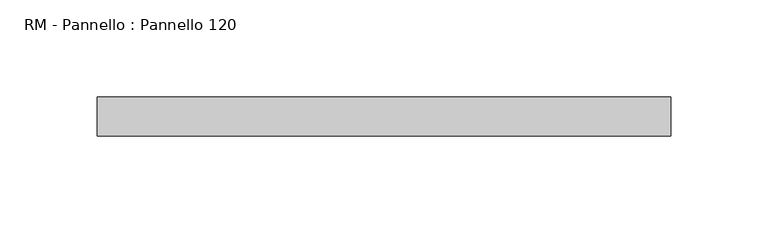
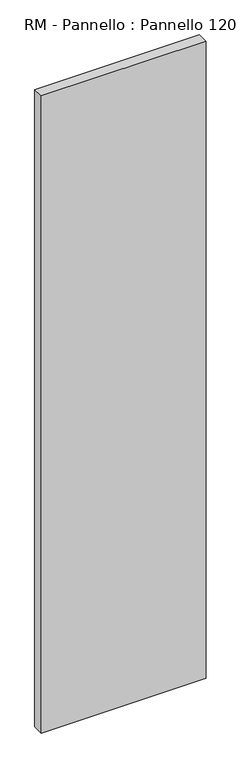
"""IFC4 building model written with IfcOpenShell, lengths in millimetres: plate geometry, RM - Pannello : Pannello 120."""

from ifc_helpers import new_model, si_unit, origin, origin_with_axes, place, context, project, spatial, polyline, outline, extrude, source, transform, mapped, element, save


def rm_pannello_pannello_120_3f38d33d(model_context):
    return source(origin(), model_context, "Body", "SweptSolid", [
        extrude(outline(polyline([(147.0, -200.0), (-147.0, -200.0), (-147.0, -180.0), (147.0, -180.0), (147.0, -200.0)])), origin_with_axes(), (0.0, 0.0, 1.0), 1200.0),
    ])


if __name__ == "__main__":
    model = new_model("IFC4")
    model_context = context("Model", 3, world=origin())
    ifc_project = project(units=[si_unit("LENGTHUNIT", "METRE", prefix="MILLI")], contexts=[model_context])
    site = spatial("IfcSite", under=ifc_project)
    building = spatial("IfcBuilding", under=site)
    placement = place(None, origin())
    rm_pannello_pannello_120_shape = rm_pannello_pannello_120_3f38d33d(model_context)
    element("IfcPlate", 1, ObjectType="RM - Pannello : Pannello 120", at=placement, inside=building, context=model_context, shape_type="MappedRepresentation", body=[
        mapped(rm_pannello_pannello_120_shape, transform((0.0, 0.0, 0.0), x_axis=(1.0, 0.0, 0.0), y_axis=(0.0, 1.0, 0.0), z_axis=(0.0, 0.0, 1.0))),
    ])
    save(model, "model.ifc")
